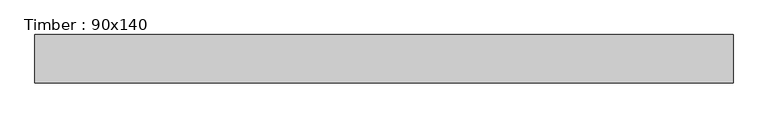
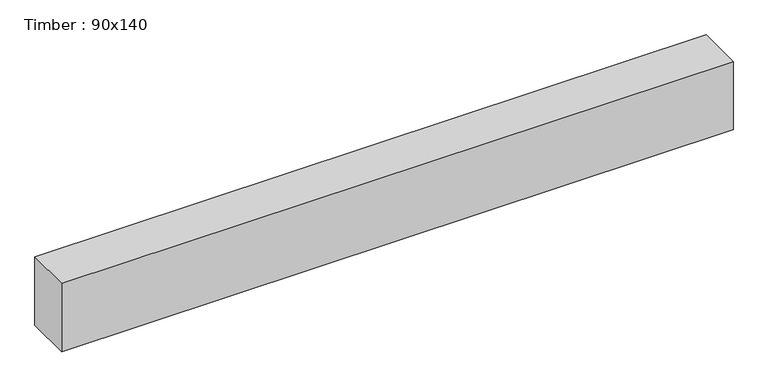
"""IFC4 building model written with IfcOpenShell, lengths in millimetres: beam geometry, Timber : 90x140."""

from ifc_helpers import new_model, si_unit, frame, origin, place, context, project, spatial, polyline, outline, extrude, source, transform, mapped, element, save


def timber_90x140_7f633573(model_context):
    return source(origin(), model_context, "Body", "SweptSolid", [
        extrude(outline(polyline([(790.0, 45.0), (790.0, -45.0), (-510.0, -45.0), (-510.0, 45.0), (790.0, 45.0)])), frame((0.0, 0.0, -70.0), z_axis=(0.0, 0.0, 1.0), x_axis=(1.0, 0.0, 0.0)), (0.0, 0.0, 1.0), 140.0),
    ])


if __name__ == "__main__":
    model = new_model("IFC4")
    model_context = context("Model", 3, world=origin())
    ifc_project = project(units=[si_unit("LENGTHUNIT", "METRE", prefix="MILLI")], contexts=[model_context])
    site = spatial("IfcSite", under=ifc_project)
    building = spatial("IfcBuilding", under=site)
    placement = place(None, origin())
    timber_90x140_shape = timber_90x140_7f633573(model_context)
    element("IfcBeam", 1, ObjectType="Timber : 90x140", at=placement, inside=building, context=model_context, shape_type="MappedRepresentation", body=[
        mapped(timber_90x140_shape, transform((0.0, 0.0, 0.0), x_axis=(1.0, 0.0, 0.0), y_axis=(0.0, 1.0, 0.0), z_axis=(0.0, 0.0, 1.0))),
    ])
    save(model, "model.ifc")
